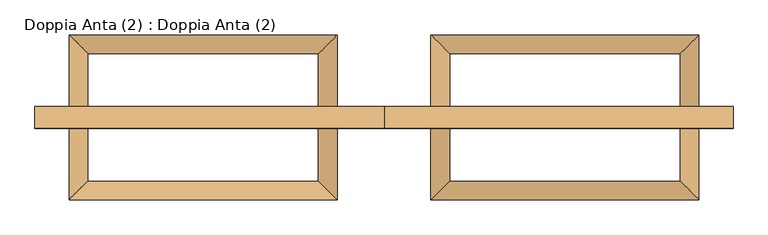
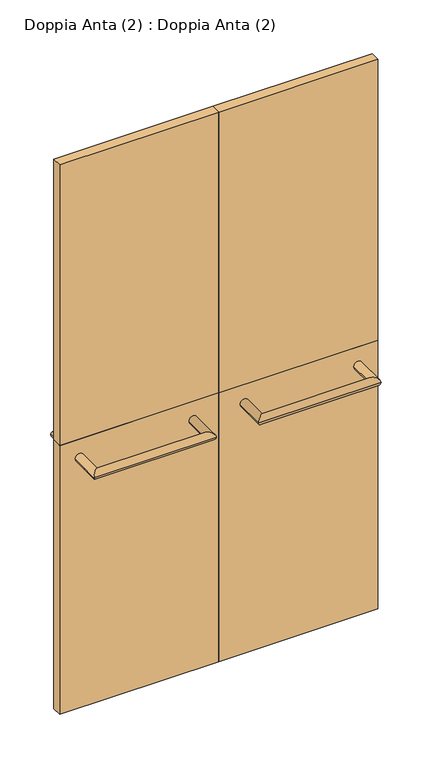
"""IFC4 building model written with IfcOpenShell, lengths in millimetres: door geometry, Doppia Anta (2) : Doppia Anta (2)."""

from ifc_helpers import new_model, si_unit, frame, origin, origin_with_axes, place, context, project, spatial, polyline, circle_curve, ellipse_curve, outline, extrude, source, transform, mapped, element, save
from ifc_brep_helpers import plane_surface, cylinder_surface, advanced_brep


def doppia_anta_2_doppia_anta_2_81972785(model_context):
    return source(origin(), model_context, "Body", "SolidModel", [
        extrude(outline(polyline([(0.0, 17.5), (0.0, -17.5), (-560.0, -17.5), (-560.0, 17.5), (0.0, 17.5)])), origin_with_axes(), (0.0, 0.0, 1.0), 1000.0),
        extrude(outline(polyline([(0.0, 17.5), (0.0, -17.5), (-560.0, -17.5), (-560.0, 17.5), (0.0, 17.5)])), frame((0.0, 0.0, 1000.0), z_axis=(0.0, 0.0, 1.0), x_axis=(1.0, 0.0, 0.0)), (0.0, 0.0, 1.0), 1045.0),
        extrude(outline(polyline([(560.0, 17.5), (560.0, -17.5), (0.0, -17.5), (0.0, 17.5), (560.0, 17.5)])), frame((0.0, 0.0, 1000.0), z_axis=(0.0, 0.0, 1.0), x_axis=(1.0, 0.0, 0.0)), (0.0, 0.0, 1.0), 1045.0),
        extrude(outline(polyline([(560.0, 17.5), (560.0, -17.5), (0.0, -17.5), (0.0, 17.5), (560.0, 17.5)])), origin_with_axes(), (0.0, 0.0, 1.0), 1000.0),
        advanced_brep(
        [(75.08, 17.5, 931.6623818), (105.08, 17.5, 931.6623818), (105.08, 102.5, 931.6623818), (75.08, 132.5, 931.6623818), (475.08, 102.5, 931.6623818), (505.08, 132.5, 931.6623818), (505.08, 17.5, 931.6623818), (475.08, 17.5, 931.6623818)],
        [
            (0, 1, circle_curve(frame((90.08, 17.5, 931.6623818), z_axis=(0.0, -1.0, 0.0), x_axis=(1.0, 0.0, 0.0)), 15.0)),
            (1, 0, circle_curve(frame((90.08, 17.5, 931.6623818), z_axis=(0.0, -1.0, 0.0), x_axis=(1.0, 0.0, 0.0)), 15.0)),
            (1, 2),
            (2, 3, ellipse_curve(frame((90.08, 117.5, 931.6623818), z_axis=(-0.7071067811865475, -0.7071067811865475, 0.0), x_axis=(0.7071067811865474, -0.7071067811865476, 0.0)), 21.2132034, 15.0)),
            (3, 0),
            (3, 2, ellipse_curve(frame((90.08, 117.5, 931.6623818), z_axis=(-0.7071067811865475, -0.7071067811865475, 0.0), x_axis=(0.7071067811865474, -0.7071067811865476, 0.0)), 21.2132034, 15.0)),
            (2, 4),
            (4, 5, ellipse_curve(frame((490.08, 117.5, 931.6623818), z_axis=(-0.7071067811865475, 0.7071067811865475, 0.0), x_axis=(-0.7071067811865476, -0.7071067811865474, 0.0)), 21.2132034, 15.0)),
            (5, 3),
            (5, 4, ellipse_curve(frame((490.08, 117.5, 931.6623818), z_axis=(-0.7071067811865475, 0.7071067811865475, 0.0), x_axis=(-0.7071067811865476, -0.7071067811865474, 0.0)), 21.2132034, 15.0)),
            (6, 7, circle_curve(frame((490.08, 17.5, 931.6623818), z_axis=(0.0, -1.0, 0.0), x_axis=(-1.0, 0.0, 0.0)), 15.0)),
            (7, 6, circle_curve(frame((490.08, 17.5, 931.6623818), z_axis=(0.0, -1.0, 0.0), x_axis=(-1.0, 0.0, 0.0)), 15.0)),
            (4, 7),
            (6, 5),
        ],
        [
            plane_surface(frame((90.08, 17.5, 931.6623818), z_axis=(0.0, -1.0, 0.0), x_axis=(0.0, 0.0, 1.0))),
            cylinder_surface(frame((90.08, 17.5, 931.6623818), z_axis=(0.0, -1.0, 0.0), x_axis=(1.0, 0.0, 0.0)), 15.0),
            cylinder_surface(frame((90.08, 117.5, 931.6623818), z_axis=(-1.0, 0.0, 0.0), x_axis=(0.0, -1.0, 0.0)), 15.0),
            plane_surface(frame((490.08, 17.5, 931.6623818), z_axis=(0.0, -1.0, 0.0), x_axis=(0.0, 0.0, 1.0))),
            cylinder_surface(frame((490.08, 117.5, 931.6623818), z_axis=(0.0, 1.0, 0.0), x_axis=(-1.0, 0.0, 0.0)), 15.0),
        ],
        [
            (0, [[1, 2]]),
            (1, [[3, 4, 5, -2]]),
            (1, [[-5, 6, -3, -1]]),
            (2, [[7, 8, 9, -4]]),
            (2, [[-9, 10, -7, -6]]),
            (3, [[11, 12]]),
            (4, [[13, -11, 14, -8]]),
            (4, [[-14, -12, -13, -10]]),
        ],
    ),
        advanced_brep(
        [(-505.0798099, 17.5, 931.6623818), (-475.0798099, 17.5, 931.6623818), (-475.0798099, 102.5, 931.6623818), (-505.0798099, 132.5, 931.6623818), (-105.0798099, 102.5, 931.6623818), (-75.0798099, 132.5, 931.6623818), (-75.0798099, 17.5, 931.6623818), (-105.0798099, 17.5, 931.6623818)],
        [
            (0, 1, circle_curve(frame((-490.0798099, 17.5, 931.6623818), z_axis=(0.0, -1.0, 0.0), x_axis=(1.0, 0.0, 0.0)), 15.0)),
            (1, 0, circle_curve(frame((-490.0798099, 17.5, 931.6623818), z_axis=(0.0, -1.0, 0.0), x_axis=(1.0, 0.0, 0.0)), 15.0)),
            (1, 2),
            (2, 3, ellipse_curve(frame((-490.0798099, 117.5, 931.6623818), z_axis=(-0.7071067811865475, -0.7071067811865475, 0.0), x_axis=(0.7071067811865474, -0.7071067811865476, 0.0)), 21.2132034, 15.0)),
            (3, 0),
            (3, 2, ellipse_curve(frame((-490.0798099, 117.5, 931.6623818), z_axis=(-0.7071067811865475, -0.7071067811865475, 0.0), x_axis=(0.7071067811865474, -0.7071067811865476, 0.0)), 21.2132034, 15.0)),
            (2, 4),
            (4, 5, ellipse_curve(frame((-90.0798099, 117.5, 931.6623818), z_axis=(-0.7071067811865475, 0.7071067811865475, 0.0), x_axis=(-0.7071067811865476, -0.7071067811865474, 0.0)), 21.2132034, 15.0)),
            (5, 3),
            (5, 4, ellipse_curve(frame((-90.0798099, 117.5, 931.6623818), z_axis=(-0.7071067811865475, 0.7071067811865475, 0.0), x_axis=(-0.7071067811865476, -0.7071067811865474, 0.0)), 21.2132034, 15.0)),
            (6, 7, circle_curve(frame((-90.0798099, 17.5, 931.6623818), z_axis=(0.0, -1.0, 0.0), x_axis=(-1.0, 0.0, 0.0)), 15.0)),
            (7, 6, circle_curve(frame((-90.0798099, 17.5, 931.6623818), z_axis=(0.0, -1.0, 0.0), x_axis=(-1.0, 0.0, 0.0)), 15.0)),
            (4, 7),
            (6, 5),
        ],
        [
            plane_surface(frame((-490.0798099, 17.5, 931.6623818), z_axis=(0.0, -1.0, 0.0), x_axis=(0.0, 0.0, 1.0))),
            cylinder_surface(frame((-490.0798099, 17.5, 931.6623818), z_axis=(0.0, -1.0, 0.0), x_axis=(1.0, 0.0, 0.0)), 15.0),
            cylinder_surface(frame((-490.0798099, 117.5, 931.6623818), z_axis=(-1.0, 0.0, 0.0), x_axis=(0.0, -1.0, 0.0)), 15.0),
            plane_surface(frame((-90.0798099, 17.5, 931.6623818), z_axis=(0.0, -1.0, 0.0), x_axis=(0.0, 0.0, 1.0))),
            cylinder_surface(frame((-90.0798099, 117.5, 931.6623818), z_axis=(0.0, 1.0, 0.0), x_axis=(-1.0, 0.0, 0.0)), 15.0),
        ],
        [
            (0, [[1, 2]]),
            (1, [[3, 4, 5, -2]]),
            (1, [[-5, 6, -3, -1]]),
            (2, [[7, 8, 9, -4]]),
            (2, [[-9, 10, -7, -6]]),
            (3, [[11, 12]]),
            (4, [[13, -11, 14, -8]]),
            (4, [[-14, -12, -13, -10]]),
        ],
    ),
        advanced_brep(
        [(105.08, -17.5, 931.6623818), (75.08, -17.5, 931.6623818), (75.08, -132.5, 931.6623818), (105.08, -102.5, 931.6623818), (505.08, -132.5, 931.6623818), (475.08, -102.5, 931.6623818), (475.08, -17.5, 931.6623818), (505.08, -17.5, 931.6623818)],
        [
            (0, 1, circle_curve(frame((90.08, -17.5, 931.6623818), z_axis=(0.0, 1.0, 0.0), x_axis=(-1.0, 0.0, 0.0)), 15.0)),
            (1, 0, circle_curve(frame((90.08, -17.5, 931.6623818), z_axis=(0.0, 1.0, 0.0), x_axis=(-1.0, 0.0, 0.0)), 15.0)),
            (1, 2),
            (2, 3, ellipse_curve(frame((90.08, -117.5, 931.6623818), z_axis=(-0.7071067811865475, 0.7071067811865475, 0.0), x_axis=(0.7071067811865474, 0.7071067811865476, 0.0)), 21.2132034, 15.0)),
            (3, 0),
            (3, 2, ellipse_curve(frame((90.08, -117.5, 931.6623818), z_axis=(-0.7071067811865475, 0.7071067811865475, 0.0), x_axis=(0.7071067811865474, 0.7071067811865476, 0.0)), 21.2132034, 15.0)),
            (2, 4),
            (4, 5, ellipse_curve(frame((490.08, -117.5, 931.6623818), z_axis=(-0.7071067811865475, -0.7071067811865475, 0.0), x_axis=(-0.7071067811865476, 0.7071067811865474, 0.0)), 21.2132034, 15.0)),
            (5, 3),
            (5, 4, ellipse_curve(frame((490.08, -117.5, 931.6623818), z_axis=(-0.7071067811865475, -0.7071067811865475, 0.0), x_axis=(-0.7071067811865476, 0.7071067811865474, 0.0)), 21.2132034, 15.0)),
            (6, 7, circle_curve(frame((490.08, -17.5, 931.6623818), z_axis=(0.0, 1.0, 0.0), x_axis=(1.0, 0.0, 0.0)), 15.0)),
            (7, 6, circle_curve(frame((490.08, -17.5, 931.6623818), z_axis=(0.0, 1.0, 0.0), x_axis=(1.0, 0.0, 0.0)), 15.0)),
            (4, 7),
            (6, 5),
        ],
        [
            plane_surface(frame((90.08, -17.5, 931.6623818), z_axis=(0.0, 1.0, 0.0), x_axis=(0.0, 0.0, 1.0))),
            cylinder_surface(frame((90.08, -17.5, 931.6623818), z_axis=(0.0, 1.0, 0.0), x_axis=(-1.0, 0.0, 0.0)), 15.0),
            cylinder_surface(frame((90.08, -117.5, 931.6623818), z_axis=(-1.0, 0.0, 0.0), x_axis=(0.0, -1.0, 0.0)), 15.0),
            plane_surface(frame((490.08, -17.5, 931.6623818), z_axis=(0.0, 1.0, 0.0), x_axis=(0.0, 0.0, 1.0))),
            cylinder_surface(frame((490.08, -117.5, 931.6623818), z_axis=(0.0, -1.0, 0.0), x_axis=(1.0, 0.0, 0.0)), 15.0),
        ],
        [
            (0, [[1, 2]]),
            (1, [[3, 4, 5, -2]]),
            (1, [[-5, 6, -3, -1]]),
            (2, [[7, 8, 9, -4]]),
            (2, [[-9, 10, -7, -6]]),
            (3, [[11, 12]]),
            (4, [[13, -11, 14, -8]]),
            (4, [[-14, -12, -13, -10]]),
        ],
    ),
        advanced_brep(
        [(-75.0798099, -17.5, 931.6623818), (-105.0798099, -17.5, 931.6623818), (-105.0798099, -102.5, 931.6623818), (-75.0798099, -132.5, 931.6623818), (-475.0798099, -102.5, 931.6623818), (-505.0798099, -132.5, 931.6623818), (-505.0798099, -17.5, 931.6623818), (-475.0798099, -17.5, 931.6623818)],
        [
            (0, 1, circle_curve(frame((-90.0798099, -17.5, 931.6623818), z_axis=(0.0, 1.0, 0.0), x_axis=(-1.0, 0.0, 0.0)), 15.0)),
            (1, 0, circle_curve(frame((-90.0798099, -17.5, 931.6623818), z_axis=(0.0, 1.0, 0.0), x_axis=(-1.0, 0.0, 0.0)), 15.0)),
            (1, 2),
            (2, 3, ellipse_curve(frame((-90.0798099, -117.5, 931.6623818), z_axis=(0.7071067811865475, 0.7071067811865475, 0.0), x_axis=(-0.7071067811865474, 0.7071067811865476, 0.0)), 21.2132034, 15.0)),
            (3, 0),
            (3, 2, ellipse_curve(frame((-90.0798099, -117.5, 931.6623818), z_axis=(0.7071067811865475, 0.7071067811865475, 0.0), x_axis=(-0.7071067811865474, 0.7071067811865476, 0.0)), 21.2132034, 15.0)),
            (2, 4),
            (4, 5, ellipse_curve(frame((-490.0798099, -117.5, 931.6623818), z_axis=(0.7071067811865475, -0.7071067811865475, 0.0), x_axis=(0.7071067811865476, 0.7071067811865474, 0.0)), 21.2132034, 15.0)),
            (5, 3),
            (5, 4, ellipse_curve(frame((-490.0798099, -117.5, 931.6623818), z_axis=(0.7071067811865475, -0.7071067811865475, 0.0), x_axis=(0.7071067811865476, 0.7071067811865474, 0.0)), 21.2132034, 15.0)),
            (6, 7, circle_curve(frame((-490.0798099, -17.5, 931.6623818), z_axis=(0.0, 1.0, 0.0), x_axis=(1.0, 0.0, 0.0)), 15.0)),
            (7, 6, circle_curve(frame((-490.0798099, -17.5, 931.6623818), z_axis=(0.0, 1.0, 0.0), x_axis=(1.0, 0.0, 0.0)), 15.0)),
            (4, 7),
            (6, 5),
        ],
        [
            plane_surface(frame((-90.0798099, -17.5, 931.6623818), z_axis=(0.0, 1.0, 0.0), x_axis=(0.0, 0.0, 1.0))),
            cylinder_surface(frame((-90.0798099, -17.5, 931.6623818), z_axis=(0.0, 1.0, 0.0), x_axis=(-1.0, 0.0, 0.0)), 15.0),
            cylinder_surface(frame((-90.0798099, -117.5, 931.6623818), z_axis=(1.0, 0.0, 0.0), x_axis=(0.0, 1.0, 0.0)), 15.0),
            plane_surface(frame((-490.0798099, -17.5, 931.6623818), z_axis=(0.0, 1.0, 0.0), x_axis=(0.0, 0.0, 1.0))),
            cylinder_surface(frame((-490.0798099, -117.5, 931.6623818), z_axis=(0.0, -1.0, 0.0), x_axis=(1.0, 0.0, 0.0)), 15.0),
        ],
        [
            (0, [[1, 2]]),
            (1, [[3, 4, 5, -2]]),
            (1, [[-5, 6, -3, -1]]),
            (2, [[7, 8, 9, -4]]),
            (2, [[-9, 10, -7, -6]]),
            (3, [[11, 12]]),
            (4, [[13, -11, 14, -8]]),
            (4, [[-14, -12, -13, -10]]),
        ],
    ),
    ])


if __name__ == "__main__":
    model = new_model("IFC4")
    model_context = context("Model", 3, world=origin())
    ifc_project = project(units=[si_unit("LENGTHUNIT", "METRE", prefix="MILLI")], contexts=[model_context])
    site = spatial("IfcSite", under=ifc_project)
    building = spatial("IfcBuilding", under=site)
    placement = place(None, origin())
    doppia_anta_2_doppia_anta_2_shape = doppia_anta_2_doppia_anta_2_81972785(model_context)
    element("IfcDoor", 1, ObjectType="Doppia Anta (2) : Doppia Anta (2)", at=placement, inside=building, context=model_context, shape_type="MappedRepresentation", body=[
        mapped(doppia_anta_2_doppia_anta_2_shape, transform((0.0, 0.0, 0.0), x_axis=(1.0, 0.0, 0.0), y_axis=(0.0, 1.0, 0.0), z_axis=(0.0, 0.0, 1.0))),
    ])
    save(model, "model.ifc")
